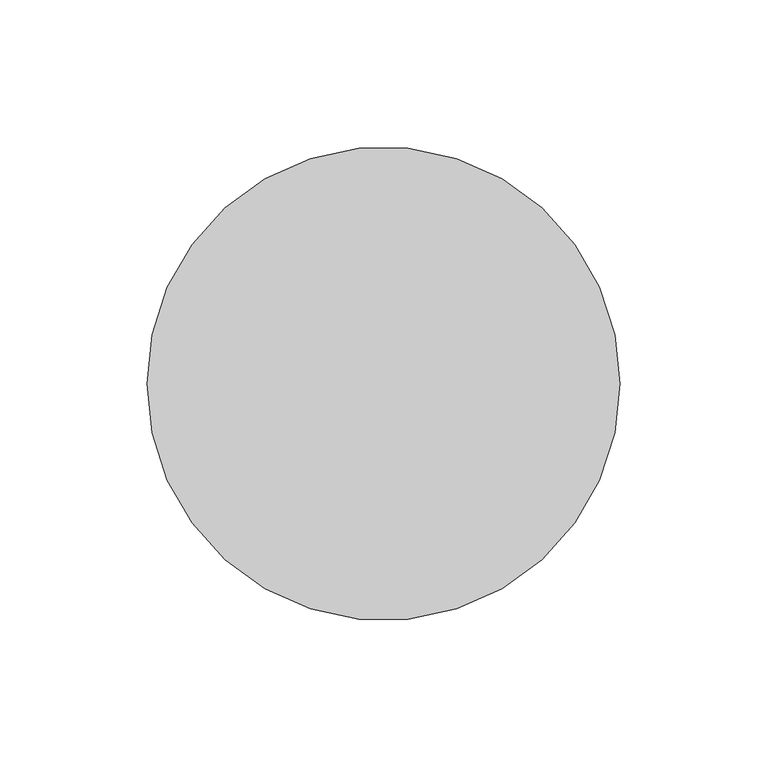
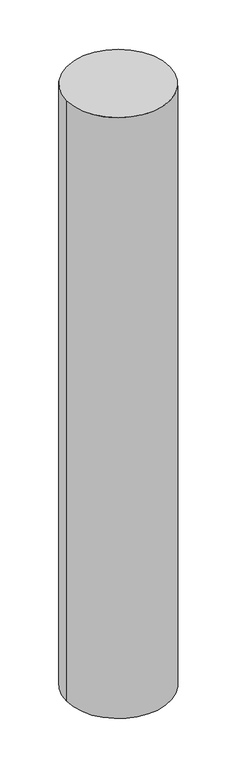
"""IFC4 building model written with IfcOpenShell, lengths in millimetres: light fixture geometry."""

from ifc_helpers import new_model, si_unit, point, frame, origin, origin_2d, place, context, project, spatial, circle_curve, trimmed, segment, composite_curve, outline, extrude, source, transform, mapped, element, save


def light_fixture_47aa7ca3(model_context):
    return source(origin(), model_context, "Body", "SweptSolid", [
        extrude(outline(composite_curve([segment(trimmed(circle_curve(origin_2d(), 80.5), [point((-80.5, 0.0))], [point((80.5, 0.0))], False, "CARTESIAN"), True, "CONTINUOUS"), segment(trimmed(circle_curve(origin_2d(), 80.5), [point((80.5, 0.0))], [point((-80.5, 0.0))], False, "CARTESIAN"), True, "CONTINUOUS")], self_intersect=False)), frame((0.0, 0.0, 8.0), z_axis=(0.0, 0.0, 1.0), x_axis=(1.0, 0.0, 0.0)), (0.0, 0.0, 1.0), 992.0),
    ])


if __name__ == "__main__":
    model = new_model("IFC4")
    model_context = context("Model", 3, world=origin())
    ifc_project = project(units=[si_unit("LENGTHUNIT", "METRE", prefix="MILLI")], contexts=[model_context])
    site = spatial("IfcSite", under=ifc_project)
    building = spatial("IfcBuilding", under=site)
    placement = place(None, origin())
    light_fixture_shape = light_fixture_47aa7ca3(model_context)
    element("IfcLightFixture", 1, at=placement, inside=building, context=model_context, shape_type="MappedRepresentation", body=[
        mapped(light_fixture_shape, transform((0.0, 0.0, 0.0), x_axis=(1.0, 0.0, 0.0), y_axis=(0.0, 1.0, 0.0), z_axis=(0.0, 0.0, 1.0))),
    ])
    save(model, "model.ifc")
